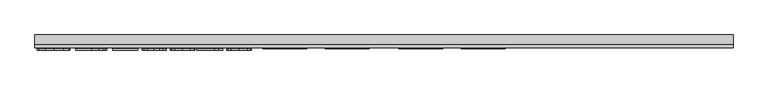
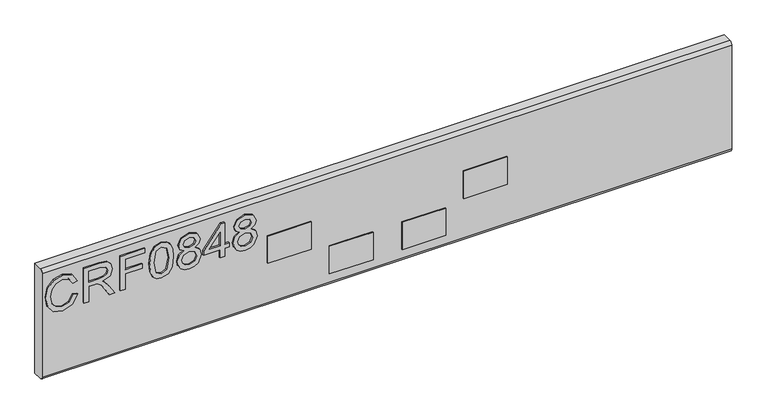
"""IFC4 building model written with IfcOpenShell, lengths in millimetres: furniture geometry."""

from ifc_helpers import new_model, si_unit, point, frame, frame_2d, origin, place, context, project, spatial, polyline, circle_curve, trimmed, segment, composite_curve, outline, extrude, source, transform, mapped, element, save


def furniture_d1c81ed6(model_context):
    return source(origin(), model_context, "Body", "SweptSolid", [
        extrude(outline(polyline([(905.3252652, -802.6680206), (893.5827171, -809.4347807), (889.6270047, -821.636752), (892.5314943, -832.6395507), (901.307258, -840.1304865), (915.0432359, -842.5366187), (926.8947997, -840.5042546), (936.0521183, -833.4571684), (939.4627523, -820.9826579), (936.3869522, -810.2056774), (926.5833263, -803.6647356), (928.4833141, -795.6910159), (942.4684708, -804.7003847), (947.4364719, -820.6711844), (943.597562, -835.9956768), (932.3611582, -846.7337231), (915.0276623, -850.5103383), (897.9744924, -847.1697859), (885.8426026, -837.4362414), (881.653285, -820.8424948), (887.1897251, -804.1475194), (903.2695406, -794.694301), (905.3252652, -802.6680206)])), frame((0.0, 1146.9916162, 0.0), z_axis=(0.0, 1.0, 0.0), x_axis=(0.0, 0.0, 1.0)), (0.0, 0.0, 1.0), 2.38125),
        extrude(outline(polyline([(882.65, -783.7304365), (882.65, -775.7567169), (910.5580187, -775.7567169), (910.5580187, -766.1321881), (910.2776926, -761.5068078), (908.7592596, -757.7146189), (904.62445, -753.5019409), (895.8720468, -747.5060775), (882.65, -739.2053108), (882.65, -729.9389764), (899.936775, -740.5757938), (908.1440996, -747.0388673), (911.5547336, -751.5708056), (917.4883023, -738.2163826), (928.9816716, -733.8946889), (938.6295609, -736.5032788), (944.7188663, -743.4802835), (946.4397569, -756.242907), (946.4397569, -783.7304365), (882.65, -783.7304365)]), holes=[polyline([(918.5317383, -775.7567169), (938.4660373, -775.7567169), (938.4660373, -755.9002862), (935.7094975, -745.2401083), (928.6857719, -741.8684085), (923.2739211, -743.6360202), (919.6608294, -748.806479), (918.5317383, -757.9092898), (918.5317383, -775.7567169)])]), frame((0.0, 1146.9916162, 0.0), z_axis=(0.0, 1.0, 0.0), x_axis=(0.0, 0.0, 1.0)), (0.0, 0.0, 1.0), 2.38125),
        extrude(outline(polyline([(882.65, -719.9406796), (882.65, -711.96696), (911.5547336, -711.96696), (911.5547336, -682.0655114), (919.5284532, -682.0655114), (919.5284532, -711.96696), (938.4660373, -711.96696), (938.4660373, -677.0819366), (946.4397569, -677.0819366), (946.4397569, -719.9406796), (882.65, -719.9406796)])), frame((0.0, 1146.9916162, 0.0), z_axis=(0.0, 1.0, 0.0), x_axis=(0.0, 0.0, 1.0)), (0.0, 0.0, 1.0), 2.38125),
        extrude(outline(polyline([(914.0309473, -669.108217), (898.5156775, -667.5197026), (887.7270168, -662.7541592), (883.171718, -656.4623961), (881.653285, -648.177203), (885.1495742, -636.5047365), (895.7552443, -629.566666), (914.0309473, -627.246189), (929.0206058, -628.6945404), (938.4582505, -632.4322215), (944.3840324, -638.8641477), (946.4397569, -648.177203), (942.9668283, -659.8029485), (932.3845188, -666.7643795), (914.0309473, -669.108217)]), holes=[polyline([(914.046521, -661.1344974), (934.1988514, -657.272227), (938.4660373, -648.270645), (933.6226256, -638.8330003), (914.046521, -635.2199086), (894.2601718, -638.9575897), (889.6270047, -648.177203), (894.2445982, -657.3968163), (914.046521, -661.1344974)])]), frame((0.0, 1146.9916162, 0.0), z_axis=(0.0, 1.0, 0.0), x_axis=(0.0, 0.0, 1.0)), (0.0, 0.0, 1.0), 2.38125),
        extrude(outline(polyline([(917.7842021, -608.6512257), (911.9907964, -617.2478921), (901.4318474, -620.2691843), (893.6742125, -618.8286198), (887.3143145, -614.506926), (883.0685424, -607.833608), (881.653285, -599.3381704), (883.0627023, -590.8427327), (887.290954, -584.1694147), (901.213816, -578.4071564), (911.5313731, -581.311646), (917.7842021, -589.7915099), (922.713269, -582.7288501), (930.2275653, -580.4005863), (941.7209346, -585.6333398), (946.4397569, -599.447186), (941.8299503, -613.136443), (930.4455967, -618.2757544), (922.7366295, -615.9163433), (917.7842021, -608.6512257)]), holes=[polyline([(930.2119916, -610.3020348), (936.0365446, -607.4286925), (938.4660373, -599.3381704), (935.9820368, -591.2710087), (929.8537972, -588.3743059), (923.9358022, -591.1775667), (921.5218831, -599.2447283), (923.9513758, -607.4754135), (930.2119916, -610.3020348)]), polyline([(901.7121735, -612.2954647), (910.1686769, -608.9237649), (913.5481635, -599.5406281), (910.1219559, -589.884952), (901.4629947, -586.380876), (892.9675571, -589.7759363), (889.6270047, -599.2758757), (891.2155191, -606.2528803), (895.7085232, -610.9639158), (901.7121735, -612.2954647)])]), frame((0.0, 1146.9916162, 0.0), z_axis=(0.0, 1.0, 0.0), x_axis=(0.0, 0.0, 1.0)), (0.0, 0.0, 1.0), 2.38125),
        extrude(outline(polyline([(882.65, -545.5155629), (882.65, -537.5418433), (897.6007243, -537.5418433), (897.6007243, -529.5681237), (905.5744439, -529.5681237), (905.5744439, -537.5418433), (945.443042, -537.5418433), (945.443042, -543.522133), (905.5744439, -574.4202965), (897.6007243, -574.4202965), (897.6007243, -545.5155629), (882.65, -545.5155629)]), holes=[polyline([(905.5744439, -545.5155629), (905.5744439, -564.6088837), (930.2119916, -545.5155629), (905.5744439, -545.5155629)])]), frame((0.0, 1146.9916162, 0.0), z_axis=(0.0, 1.0, 0.0), x_axis=(0.0, 0.0, 1.0)), (0.0, 0.0, 1.0), 2.38125),
        extrude(outline(polyline([(917.7842021, -510.9731604), (911.9907964, -519.5698268), (901.4318474, -522.591119), (893.6742125, -521.1505544), (887.3143145, -516.8288607), (883.0685424, -510.1555426), (881.653285, -501.660105), (883.0627023, -493.1646674), (887.290954, -486.4913493), (901.213816, -480.729091), (911.5313731, -483.6335807), (917.7842021, -492.1134446), (922.713269, -485.0507848), (930.2275653, -482.7225209), (941.7209346, -487.9552744), (946.4397569, -501.7691207), (941.8299503, -515.4583776), (930.4455967, -520.5976891), (922.7366295, -518.2382779), (917.7842021, -510.9731604)]), holes=[polyline([(930.2119916, -512.6239695), (936.0365446, -509.7506272), (938.4660373, -501.660105), (935.9820368, -493.5929434), (929.8537972, -490.6962406), (923.9358022, -493.4995014), (921.5218831, -501.566663), (923.9513758, -509.7973482), (930.2119916, -512.6239695)]), polyline([(901.7121735, -514.6173994), (910.1686769, -511.2456996), (913.5481635, -501.8625628), (910.1219559, -492.2068867), (901.4629947, -488.7028106), (892.9675571, -492.097871), (889.6270047, -501.5978103), (891.2155191, -508.574815), (895.7085232, -513.2858505), (901.7121735, -514.6173994)])]), frame((0.0, 1146.9916162, 0.0), z_axis=(0.0, 1.0, 0.0), x_axis=(0.0, 0.0, 1.0)), (0.0, 0.0, 1.0), 2.38125),
        extrude(outline(polyline([(-117.8971981, 1150.9603662), (-41.6971981, 1150.9603662), (-41.6971981, 1149.3728662), (-117.8971981, 1149.3728662), (-117.8971981, 1150.9603662)])), frame((0.0, 0.0, 841.374997), z_axis=(0.0, 0.0, 1.0), x_axis=(1.0, 0.0, 0.0)), (0.0, 0.0, 1.0), 50.8000061),
        extrude(outline(polyline([(-460.7971981, 1150.9603662), (-384.5971981, 1150.9603662), (-384.5971981, 1149.3728662), (-460.7971981, 1149.3728662), (-460.7971981, 1150.9603662)])), frame((0.0, 0.0, 841.374997), z_axis=(0.0, 0.0, 1.0), x_axis=(1.0, 0.0, 0.0)), (0.0, 0.0, 1.0), 50.8000061),
        extrude(outline(polyline([(-352.8471921, 1150.9603662), (-276.6471921, 1150.9603662), (-276.6471921, 1149.3728662), (-352.8471921, 1149.3728662), (-352.8471921, 1150.9603662)])), frame((0.0, 0.0, 784.2249992), z_axis=(0.0, 0.0, 1.0), x_axis=(1.0, 0.0, 0.0)), (0.0, 0.0, 1.0), 50.7999992),
        extrude(outline(polyline([(-225.847186, 1150.9603662), (-149.647186, 1150.9603662), (-149.647186, 1149.3728662), (-225.847186, 1149.3728662), (-225.847186, 1150.9603662)])), frame((0.0, 0.0, 784.2249992), z_axis=(0.0, 0.0, 1.0), x_axis=(1.0, 0.0, 0.0)), (0.0, 0.0, 1.0), 50.7999992),
        extrude(outline(composite_curve([segment(trimmed(circle_curve(frame_2d((1156.9134912, 959.2468811)), 5.953125), [point((1150.9603662, 959.2468811))], [point((1156.9134912, 965.2000061))], False, "CARTESIAN"), True, "CONTINUOUS"), segment(polyline([(1156.9134912, 965.2000061), (1173.1853662, 965.2000061), (1173.1853662, 762.0), (1156.9134912, 762.0)]), True, "CONTINUOUS"), segment(trimmed(circle_curve(frame_2d((1156.9134912, 767.953125)), 5.953125), [point((1156.9134912, 762.0))], [point((1150.9603662, 767.953125))], False, "CARTESIAN"), True, "CONTINUOUS"), segment(polyline([(1150.9603662, 767.953125), (1150.9603662, 959.2468811)]), True, "CONTINUOUS")], self_intersect=False)), frame((-854.4971981, 0.0, 0.0), z_axis=(1.0, 0.0, 0.0), x_axis=(0.0, 1.0, 0.0)), (0.0, 0.0, 1.0), 1206.5),
    ])


if __name__ == "__main__":
    model = new_model("IFC4")
    model_context = context("Model", 3, world=origin())
    ifc_project = project(units=[si_unit("LENGTHUNIT", "METRE", prefix="MILLI")], contexts=[model_context])
    site = spatial("IfcSite", under=ifc_project)
    building = spatial("IfcBuilding", under=site)
    placement = place(None, origin())
    furniture_shape = furniture_d1c81ed6(model_context)
    element("IfcFurniture", 1, at=placement, inside=building, context=model_context, shape_type="MappedRepresentation", body=[
        mapped(furniture_shape, transform((0.0, 0.0, 0.0), x_axis=(1.0, 0.0, 0.0), y_axis=(0.0, 1.0, 0.0), z_axis=(0.0, 0.0, 1.0))),
    ])
    save(model, "model.ifc")
